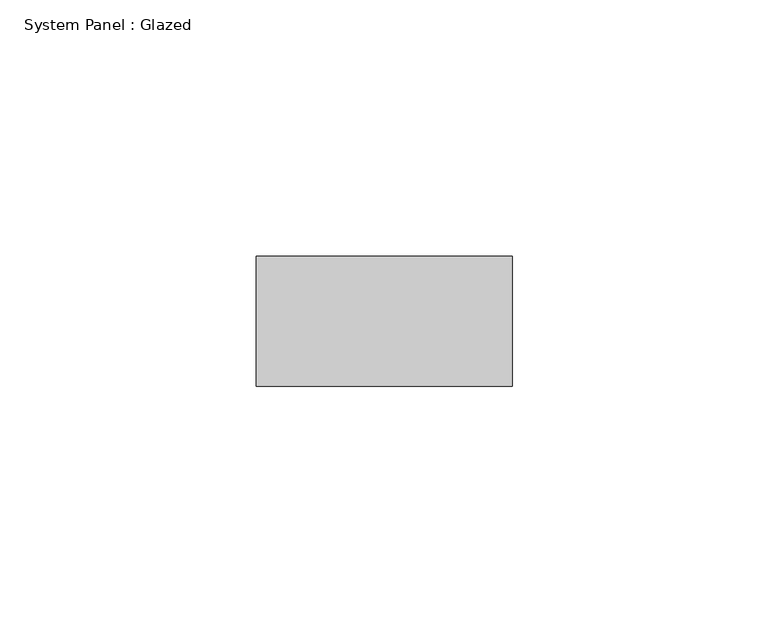
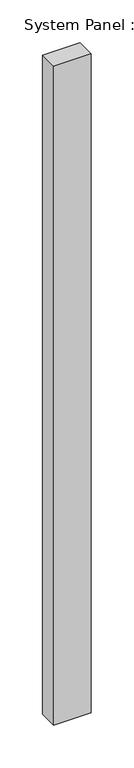
"""IFC4 building model written with IfcOpenShell, lengths in millimetres: plate geometry, System Panel : Glazed."""

from ifc_helpers import new_model, si_unit, origin, origin_with_axes, place, context, project, spatial, polyline, outline, extrude, source, transform, mapped, element, save


def system_panel_glazed_25e20ad9(model_context):
    return source(origin(), model_context, "Body", "SweptSolid", [
        extrude(outline(polyline([(25.0, -44.45), (-25.0, -44.45), (-25.0, -19.05), (25.0, -19.05), (25.0, -44.45)])), origin_with_axes(), (0.0, 0.0, 1.0), 936.5),
    ])


if __name__ == "__main__":
    model = new_model("IFC4")
    model_context = context("Model", 3, world=origin())
    ifc_project = project(units=[si_unit("LENGTHUNIT", "METRE", prefix="MILLI")], contexts=[model_context])
    site = spatial("IfcSite", under=ifc_project)
    building = spatial("IfcBuilding", under=site)
    placement = place(None, origin())
    system_panel_glazed_shape = system_panel_glazed_25e20ad9(model_context)
    element("IfcPlate", 1, ObjectType="System Panel : Glazed", at=placement, inside=building, context=model_context, shape_type="MappedRepresentation", body=[
        mapped(system_panel_glazed_shape, transform((0.0, 0.0, 0.0), x_axis=(1.0, 0.0, 0.0), y_axis=(0.0, 1.0, 0.0), z_axis=(0.0, 0.0, 1.0))),
    ])
    save(model, "model.ifc")
